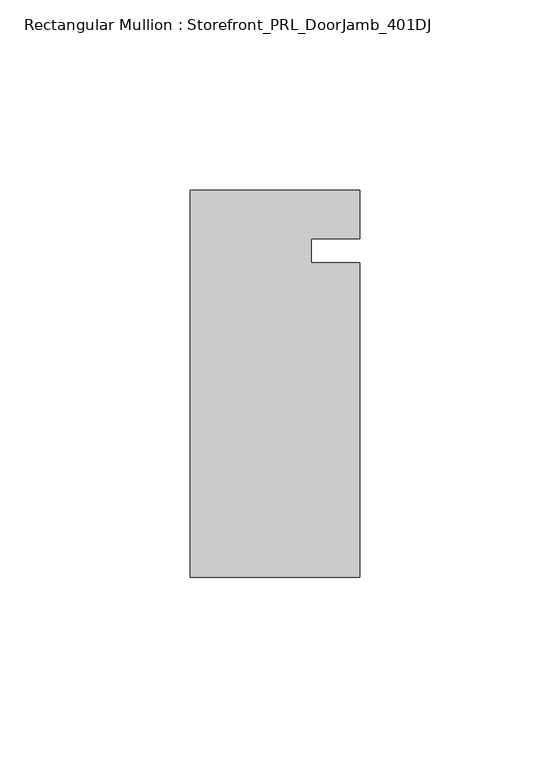
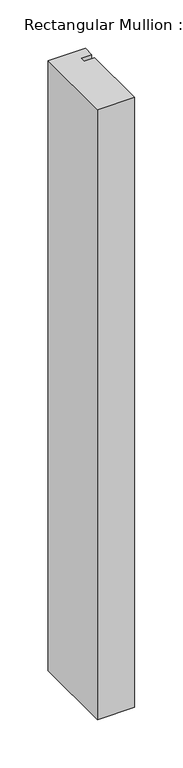
"""IFC4 building model written with IfcOpenShell, lengths in millimetres: member geometry, Rectangular Mullion : Storefront_PRL_DoorJamb_401DJ."""

from ifc_helpers import new_model, si_unit, frame, origin, place, context, project, spatial, polyline, outline, extrude, source, transform, mapped, element, save


def rectangular_mullion_storefront_prl_doorjamb_401dj_89705bd1(model_context):
    return source(origin(), model_context, "Body", "SweptSolid", [
        extrude(outline(polyline([(9.525, -3.175), (22.225, -3.175), (22.225, -85.725), (-22.225, -85.725), (-22.225, 15.875), (22.225, 15.875), (22.225, 3.175), (9.525, 3.175), (9.525, -3.175)])), frame((0.0, 0.0, -768.35), z_axis=(0.0, 0.0, 1.0), x_axis=(1.0, 0.0, 0.0)), (0.0, 0.0, 1.0), 768.35),
    ])


if __name__ == "__main__":
    model = new_model("IFC4")
    model_context = context("Model", 3, world=origin())
    ifc_project = project(units=[si_unit("LENGTHUNIT", "METRE", prefix="MILLI")], contexts=[model_context])
    site = spatial("IfcSite", under=ifc_project)
    building = spatial("IfcBuilding", under=site)
    placement = place(None, origin())
    rectangular_mullion_storefront_prl_doorjamb_401dj_shape = rectangular_mullion_storefront_prl_doorjamb_401dj_89705bd1(model_context)
    element("IfcMember", 1, ObjectType="Rectangular Mullion : Storefront_PRL_DoorJamb_401DJ", at=placement, inside=building, context=model_context, shape_type="MappedRepresentation", body=[
        mapped(rectangular_mullion_storefront_prl_doorjamb_401dj_shape, transform((0.0, 0.0, 0.0), x_axis=(1.0, 0.0, 0.0), y_axis=(0.0, 1.0, 0.0), z_axis=(0.0, 0.0, 1.0))),
    ])
    save(model, "model.ifc")
